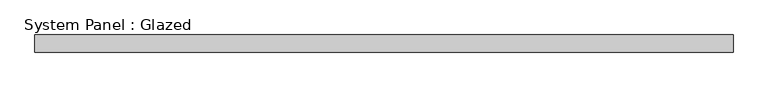
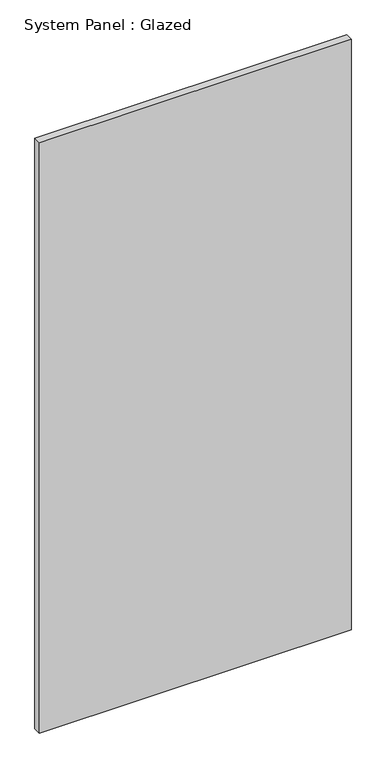
"""IFC4 building model written with IfcOpenShell, lengths in millimetres: plate geometry, System Panel : Glazed."""

from ifc_helpers import new_model, si_unit, origin, origin_with_axes, place, context, project, spatial, polyline, outline, extrude, source, transform, mapped, element, save


def system_panel_glazed_a22eb152(model_context):
    return source(origin(), model_context, "Body", "SweptSolid", [
        extrude(outline(polyline([(499.2533316, 24.5), (-499.2533316, 24.5), (-499.2533316, 49.5), (499.2533316, 49.5), (499.2533316, 24.5)])), origin_with_axes(), (0.0, 0.0, 1.0), 2000.0),
    ])


if __name__ == "__main__":
    model = new_model("IFC4")
    model_context = context("Model", 3, world=origin())
    ifc_project = project(units=[si_unit("LENGTHUNIT", "METRE", prefix="MILLI")], contexts=[model_context])
    site = spatial("IfcSite", under=ifc_project)
    building = spatial("IfcBuilding", under=site)
    placement = place(None, origin())
    system_panel_glazed_shape = system_panel_glazed_a22eb152(model_context)
    element("IfcPlate", 1, ObjectType="System Panel : Glazed", at=placement, inside=building, context=model_context, shape_type="MappedRepresentation", body=[
        mapped(system_panel_glazed_shape, transform((0.0, 0.0, 0.0), x_axis=(1.0, 0.0, 0.0), y_axis=(0.0, 1.0, 0.0), z_axis=(0.0, 0.0, 1.0))),
    ])
    save(model, "model.ifc")
